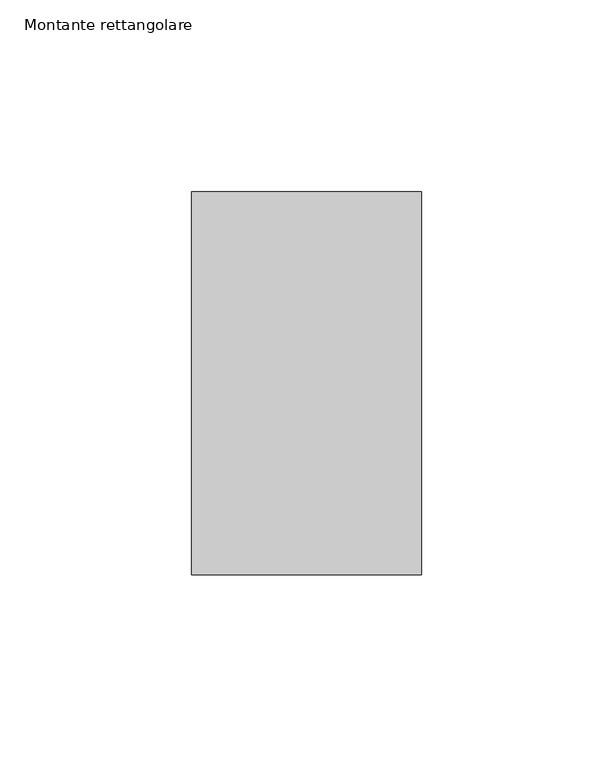
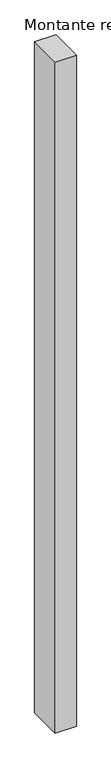
"""IFC4 building model written with IfcOpenShell, lengths in millimetres: member geometry, Montante rettangolare."""

from ifc_helpers import new_model, si_unit, frame, origin, place, context, project, spatial, polyline, outline, extrude, source, transform, mapped, element, save


def montante_rettangolare_a88fc553(model_context):
    return source(origin(), model_context, "Body", "SweptSolid", [
        extrude(outline(polyline([(30.0, 50.0), (30.0, -50.0), (-30.0, -50.0), (-30.0, 50.0), (30.0, 50.0)])), frame((0.0, 0.0, -2005.0), z_axis=(0.0, 0.0, 1.0), x_axis=(1.0, 0.0, 0.0)), (0.0, 0.0, 1.0), 2005.0),
    ])


if __name__ == "__main__":
    model = new_model("IFC4")
    model_context = context("Model", 3, world=origin())
    ifc_project = project(units=[si_unit("LENGTHUNIT", "METRE", prefix="MILLI")], contexts=[model_context])
    site = spatial("IfcSite", under=ifc_project)
    building = spatial("IfcBuilding", under=site)
    placement = place(None, origin())
    montante_rettangolare_shape = montante_rettangolare_a88fc553(model_context)
    element("IfcMember", 1, ObjectType="Montante rettangolare", at=placement, inside=building, context=model_context, shape_type="MappedRepresentation", body=[
        mapped(montante_rettangolare_shape, transform((0.0, 0.0, 0.0), x_axis=(1.0, 0.0, 0.0), y_axis=(0.0, 1.0, 0.0), z_axis=(0.0, 0.0, 1.0))),
    ])
    save(model, "model.ifc")
